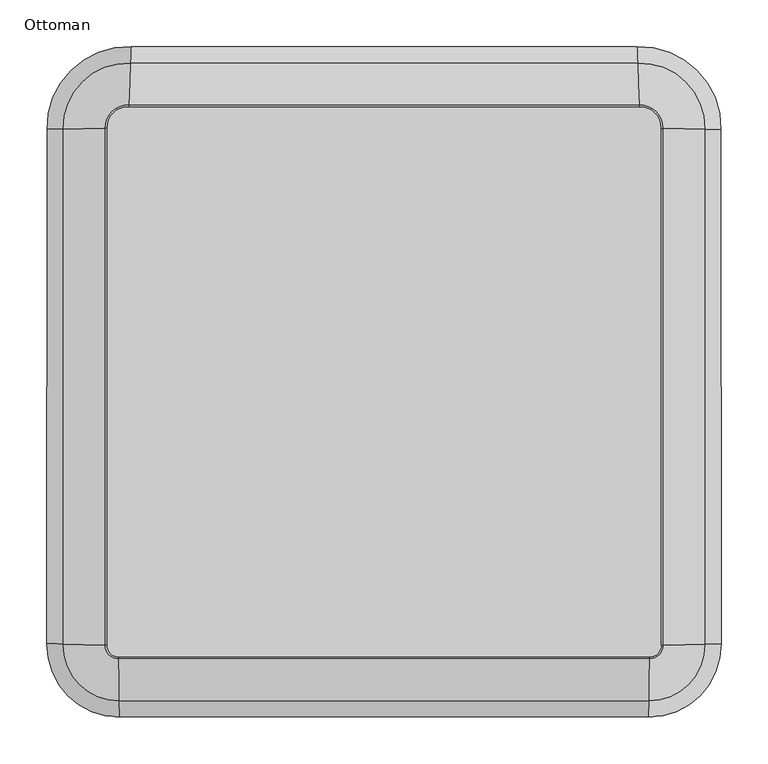
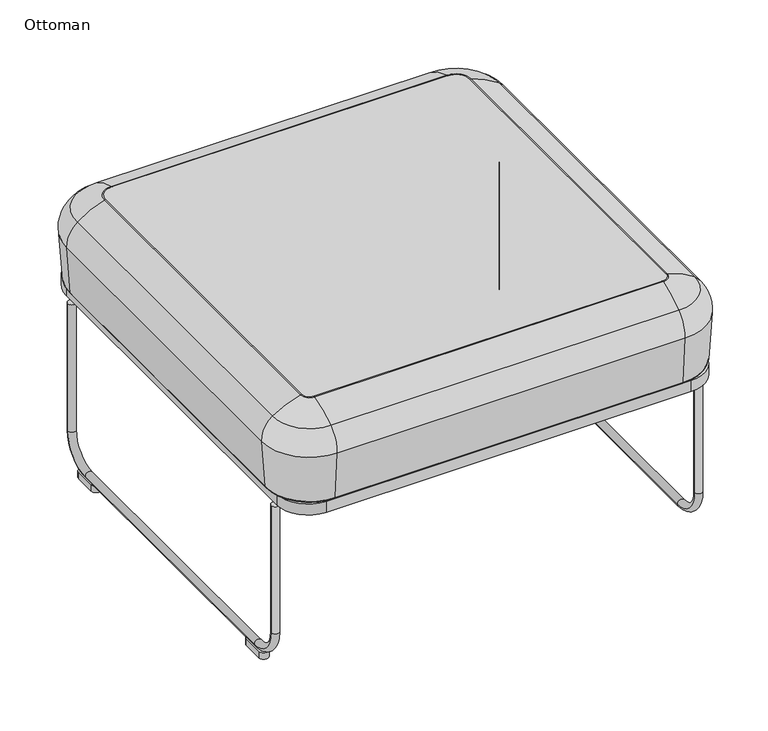
"""IFC4 building model written with IfcOpenShell, lengths in millimetres: furniture geometry, Ottoman."""

from ifc_helpers import new_model, si_unit, point, frame, frame_2d, origin, origin_with_axes, place, context, project, spatial, polyline, circle_curve, ellipse_curve, trimmed, segment, composite_curve, outline, extrude, source, transform, mapped, element, save
from ifc_brep_helpers import plane_surface, cylinder_surface, revolved_surface, advanced_brep


def ottoman_85fd28af(model_context):
    return source(origin(), model_context, "Body", "SolidModel", [
        advanced_brep(
        [(-167.4543852, -161.7092284, 425.107536), (396.0543852, -161.7092284, 425.107536), (396.8206981, -117.1105594, 446.6889113), (-168.2206981, -117.1105594, 446.6889113), (-167.1565501, -179.0429391, 387.7913652), (395.7565501, -179.0429391, 387.7913652), (-167.252074, -173.4835407, 308.2765291), (395.852074, -173.4835407, 308.2765291), (-167.3064873, -170.3167423, 305.3230059), (395.9064873, -170.3167423, 305.3230059), (396.8498064, -115.4164843, 446.9191268), (-168.2498064, -115.4164843, 446.9191268), (-180.9132091, -102.6612873, 446.9191268), (-182.6070297, -102.6199443, 446.6889113), (-227.1990008, -101.5315367, 425.107536), (-244.5301083, -101.1085164, 387.7913652), (-238.9715448, -101.2441906, 308.2765291), (-235.805222, -101.3214747, 305.3230059), (-180.8078426, 447.8185464, 446.9191268), (-182.5016789, 447.7778518, 446.6889113), (-227.0940634, 446.7065149, 425.107536), (-244.4253315, 446.2901293, 387.7913652), (-238.8667165, 446.4236756, 308.2765291), (-235.7003644, 446.4997476, 305.3230059), (-157.6631829, 470.5656909, 446.9191268), (-157.5931525, 472.2585681, 446.6889113), (-155.7495149, 516.8257031, 425.107536), (-155.0329671, 534.1471577, 387.7913652), (-155.2627837, 528.5916902, 308.2765291), (-155.3936941, 525.4271309, 305.3230059), (386.2631829, 470.5656909, 446.9191268), (386.1931525, 472.2585681, 446.6889113), (384.3495149, 516.8257031, 425.107536), (383.6329671, 534.1471577, 387.7913652), (383.8627837, 528.5916902, 308.2765291), (383.9936941, 525.4271309, 305.3230059), (409.4078426, 447.8185464, 446.9191268), (411.1016789, 447.7778518, 446.6889113), (455.6940634, 446.7065149, 425.107536), (473.0253315, 446.2901293, 387.7913652), (467.4667165, 446.4236756, 308.2765291), (464.3003644, 446.4997476, 305.3230059), (409.5132091, -102.6612873, 446.9191268), (411.2070297, -102.6199443, 446.6889113), (455.7990008, -101.5315367, 425.107536), (473.1301083, -101.1085164, 387.7913652), (467.5715448, -101.2441906, 308.2765291), (464.405222, -101.3214747, 305.3230059)],
        [
            (0, 1, circle_curve(frame((114.3, -16559.5410967, 425.107536), z_axis=(0.0, 0.0, -1.0), x_axis=(0.017179881139762494, 0.9998524149513385, 0.0)), 16400.2523003)),
            (1, 2, circle_curve(frame((397.4532216, -80.2983084, 313.7059939), z_axis=(-0.9998524149513385, 0.017179881139762567, 0.0), x_axis=(-0.017179881139762567, -0.9998524149513385, 0.0)), 137.9855)),
            (2, 3, circle_curve(frame((114.3, -16559.5410967, 446.6889113), z_axis=(0.0, 0.0, 1.0), x_axis=(0.017179881139762494, 0.9998524149513385, 0.0)), 16444.8575524)),
            (3, 0, circle_curve(frame((-168.8532216, -80.2983084, 313.7059939), z_axis=(0.9998524149513385, 0.017179881139762623, 0.0), x_axis=(0.017179881139762623, -0.9998524149513385, 0.0)), 137.9855)),
            (0, 4, circle_curve(frame((-167.8856877, -136.6078403, 390.7591544), z_axis=(0.9998524149513385, 0.01717988113976263, 0.0), x_axis=(0.01717988113976263, -0.9998524149513385, 0.0)), 42.545)),
            (4, 5, circle_curve(frame((114.3, -16559.5410967, 387.7913652), z_axis=(0.0, 0.0, -1.0), x_axis=(0.017179881139762494, 0.9998524149513385, 0.0)), 16382.9160311)),
            (5, 1, circle_curve(frame((396.4856877, -136.6078403, 390.7591544), z_axis=(-0.9998524149513385, 0.017179881139762567, 0.0), x_axis=(-0.017179881139762567, -0.9998524149513385, 0.0)), 42.545)),
            (4, 6),
            (6, 7, circle_curve(frame((114.3, -16559.5410967, 308.2765291), z_axis=(0.0, 0.0, -1.0), x_axis=(0.017179881139762494, 0.9998524149513385, 0.0)), 16388.4762501)),
            (7, 5),
            (6, 8, circle_curve(frame((-167.3064873, -170.3167423, 308.4980059), z_axis=(0.9998524149513385, 0.017179881139762623, 0.0), x_axis=(0.017179881139762623, -0.9998524149513385, 0.0)), 3.175)),
            (8, 9, circle_curve(frame((114.3, -16559.5410967, 305.3230059), z_axis=(0.0, 0.0, -1.0), x_axis=(0.017179881139762494, 0.9998524149513385, 0.0)), 16391.6435159)),
            (9, 7, circle_curve(frame((395.9064873, -170.3167423, 308.4980059), z_axis=(-0.9998524149513385, 0.017179881139762567, 0.0), x_axis=(-0.017179881139762567, -0.9998524149513385, 0.0)), 3.175)),
            (2, 10, circle_curve(frame((396.8498064, -115.4164843, 440.5691268), z_axis=(-0.9998524149513385, 0.017179881139762567, 0.0), x_axis=(-0.017179881139762567, -0.9998524149513385, 0.0)), 6.35)),
            (10, 11, circle_curve(frame((114.3, -16559.5410967, 446.9191268), z_axis=(0.0, 0.0, 1.0), x_axis=(0.017179881139762494, 0.9998524149513385, 0.0)), 16446.5518775)),
            (11, 3, circle_curve(frame((-168.2498064, -115.4164843, 440.5691268), z_axis=(0.9998524149513385, 0.01717988113976263, 0.0), x_axis=(0.01717988113976263, -0.9998524149513385, 0.0)), 6.35)),
            (11, 12, circle_curve(frame((-168.4637503, -102.9651556, 446.9191268), z_axis=(0.0, 0.0, -1.0), x_axis=(0.017179881139762807, -0.9998524149513385, 0.0)), 12.4531666)),
            (12, 13, circle_curve(frame((-180.9132091, -102.6612873, 440.5691268), z_axis=(-0.02440088431373543, -0.9997022540960422, 0.0), x_axis=(-0.9997022540960422, 0.02440088431373543, 0.0)), 6.35)),
            (13, 3, circle_curve(frame((-168.4637503, -102.9651556, 446.6889113), z_axis=(0.0, 0.0, 1.0), x_axis=(0.017179881139762807, -0.9998524149513385, 0.0)), 14.1474918)),
            (13, 14, circle_curve(frame((-145.8003073, -103.5183283, 313.7059939), z_axis=(-0.024400884314411137, -0.9997022540960256, 0.0), x_axis=(-0.9997022540960256, 0.024400884314411137, 0.0)), 137.9855)),
            (14, 0, circle_curve(frame((-168.4637503, -102.9651556, 425.107536), z_axis=(0.0, 0.0, 1.0), x_axis=(0.017179881139762807, -0.9998524149513385, 0.0)), 58.7527439)),
            (14, 15, circle_curve(frame((-202.1013825, -102.1441232, 390.7591544), z_axis=(-0.02440088431818522, -0.9997022540959335, 0.0), x_axis=(-0.9997022540959335, 0.02440088431818522, 0.0)), 42.545)),
            (15, 4, circle_curve(frame((-168.4637503, -102.9651556, 387.7913652), z_axis=(0.0, 0.0, 1.0), x_axis=(0.017179881139762807, -0.9998524149513385, 0.0)), 76.0890131)),
            (15, 16),
            (16, 6, circle_curve(frame((-168.4637503, -102.9651556, 308.2765291), z_axis=(0.0, 0.0, 1.0), x_axis=(0.017179881139762807, -0.9998524149513385, 0.0)), 70.5287941)),
            (16, 17, circle_curve(frame((-235.805222, -101.3214747, 308.4980059), z_axis=(-0.024400884318385444, -0.9997022540959286, 0.0), x_axis=(-0.9997022540959286, 0.024400884318385444, 0.0)), 3.175)),
            (17, 8, circle_curve(frame((-168.4637503, -102.9651556, 305.3230059), z_axis=(0.0, 0.0, 1.0), x_axis=(0.017179881139762807, -0.9998524149513385, 0.0)), 67.3615283)),
            (12, 18, circle_curve(frame((-11546.6003282, 174.7541286, 446.9191268), z_axis=(0.0, 0.0, 1.0), x_axis=(0.9997022540959043, -0.024400884319382744, 0.0)), 11369.0722138)),
            (18, 19, circle_curve(frame((-180.8078426, 447.8185464, 440.5691268), z_axis=(0.02401817955838124, -0.999711521915548, 0.0), x_axis=(-0.999711521915548, -0.02401817955838124, 0.0)), 6.35)),
            (19, 13, circle_curve(frame((-11546.6003282, 174.7541286, 446.6889113), z_axis=(0.0, 0.0, -1.0), x_axis=(0.9997022540959043, -0.024400884319382744, 0.0)), 11367.3778887)),
            (19, 20, circle_curve(frame((-145.6946153, 448.6621456, 313.7059939), z_axis=(0.02401817955838124, -0.999711521915548, 0.0), x_axis=(-0.999711521915548, -0.02401817955838124, 0.0)), 137.9855)),
            (20, 14, circle_curve(frame((-11546.6003282, 174.7541286, 425.107536), z_axis=(0.0, 0.0, -1.0), x_axis=(0.9997022540959043, -0.024400884319382744, 0.0)), 11322.7726366)),
            (20, 21, circle_curve(frame((-201.9962124, 447.3094935, 390.7591544), z_axis=(0.02401817955838124, -0.999711521915548, 0.0), x_axis=(-0.999711521915548, -0.02401817955838124, 0.0)), 42.545)),
            (21, 15, circle_curve(frame((-11546.6003282, 174.7541286, 387.7913652), z_axis=(0.0, 0.0, -1.0), x_axis=(0.9997022540959043, -0.024400884319382744, 0.0)), 11305.4363673)),
            (21, 22),
            (22, 16, circle_curve(frame((-11546.6003282, 174.7541286, 308.2765291), z_axis=(0.0, 0.0, -1.0), x_axis=(0.9997022540959043, -0.024400884319382744, 0.0)), 11310.9965863)),
            (22, 23, circle_curve(frame((-235.7003644, 446.4997476, 308.4980059), z_axis=(0.02401817955838124, -0.999711521915548, 0.0), x_axis=(-0.999711521915548, -0.02401817955838124, 0.0)), 3.175)),
            (23, 17, circle_curve(frame((-11546.6003282, 174.7541286, 305.3230059), z_axis=(0.0, 0.0, -1.0), x_axis=(0.9997022540959043, -0.024400884319382744, 0.0)), 11314.1638522)),
            (18, 24, circle_curve(frame((-158.5820894, 448.3525226, 446.9191268), z_axis=(0.0, 0.0, -1.0), x_axis=(-0.999711521915548, -0.024018179558381914, 0.0)), 22.2321666)),
            (24, 25, circle_curve(frame((-157.6631829, 470.5656909, 440.5691268), z_axis=(-0.9991454554224839, 0.04133229861255114, 0.0), x_axis=(0.04133229861255114, 0.9991454554224839, 0.0)), 6.35)),
            (25, 19, circle_curve(frame((-158.5820894, 448.3525226, 446.6889113), z_axis=(0.0, 0.0, 1.0), x_axis=(-0.999711521915548, -0.024018179558381914, 0.0)), 23.9264918)),
            (25, 26, circle_curve(frame((-159.1149121, 435.4723458, 313.7059939), z_axis=(-0.9991454554224782, 0.041332298612688015, 0.0), x_axis=(0.041332298612688015, 0.9991454554224782, 0.0)), 137.9855)),
            (26, 20, circle_curve(frame((-158.5820894, 448.3525226, 425.107536), z_axis=(0.0, 0.0, 1.0), x_axis=(-0.999711521915548, -0.024018179558381914, 0.0)), 68.5317439)),
            (26, 27, circle_curve(frame((-156.7871661, 491.7420632, 390.7591544), z_axis=(-0.9991454554224295, 0.04133229861386386, 0.0), x_axis=(0.04133229861386386, 0.9991454554224295, 0.0)), 42.545)),
            (27, 21, circle_curve(frame((-158.5820894, 448.3525226, 387.7913652), z_axis=(0.0, 0.0, 1.0), x_axis=(-0.999711521915548, -0.024018179558381914, 0.0)), 85.8680131)),
            (27, 28),
            (28, 22, circle_curve(frame((-158.5820894, 448.3525226, 308.2765291), z_axis=(0.0, 0.0, 1.0), x_axis=(-0.999711521915548, -0.024018179558381914, 0.0)), 80.3077941)),
            (28, 29, circle_curve(frame((-155.3936941, 525.4271309, 308.4980059), z_axis=(-0.9991454554224257, 0.0413322986139566, 0.0), x_axis=(0.0413322986139566, 0.9991454554224257, 0.0)), 3.175)),
            (29, 23, circle_curve(frame((-158.5820894, 448.3525226, 305.3230059), z_axis=(0.0, 0.0, 1.0), x_axis=(-0.999711521915548, -0.024018179558381914, 0.0)), 77.1405283)),
            (24, 30, circle_curve(frame((114.3, 7044.862, 446.9191268), z_axis=(0.0, 0.0, 1.0), x_axis=(-0.04133229861449432, -0.9991454554224036, 0.0)), 6579.9191433)),
            (30, 31, circle_curve(frame((386.2631829, 470.5656909, 440.5691268), z_axis=(-0.999145455422404, -0.041332298614487555, 0.0), x_axis=(-0.041332298614487555, 0.999145455422404, 0.0)), 6.35)),
            (31, 25, circle_curve(frame((114.3, 7044.862, 446.6889113), z_axis=(0.0, 0.0, -1.0), x_axis=(-0.04133229861449432, -0.9991454554224036, 0.0)), 6578.2248182)),
            (31, 32, circle_curve(frame((387.7149121, 435.4723458, 313.7059939), z_axis=(-0.999145455422404, -0.04133229861448754, 0.0), x_axis=(-0.04133229861448754, 0.999145455422404, 0.0)), 137.9855)),
            (32, 26, circle_curve(frame((114.3, 7044.862, 425.107536), z_axis=(0.0, 0.0, -1.0), x_axis=(-0.04133229861449432, -0.9991454554224036, 0.0)), 6533.6195661)),
            (32, 33, circle_curve(frame((385.3871661, 491.7420632, 390.7591544), z_axis=(-0.999145455422404, -0.04133229861448754, 0.0), x_axis=(-0.04133229861448754, 0.999145455422404, 0.0)), 42.545)),
            (33, 27, circle_curve(frame((114.3, 7044.862, 387.7913652), z_axis=(0.0, 0.0, -1.0), x_axis=(-0.04133229861449432, -0.9991454554224036, 0.0)), 6516.2832968)),
            (33, 34),
            (34, 28, circle_curve(frame((114.3, 7044.862, 308.2765291), z_axis=(0.0, 0.0, -1.0), x_axis=(-0.04133229861449432, -0.9991454554224036, 0.0)), 6521.8435158)),
            (34, 35, circle_curve(frame((383.9936941, 525.4271309, 308.4980059), z_axis=(-0.999145455422404, -0.04133229861448754, 0.0), x_axis=(-0.04133229861448754, 0.999145455422404, 0.0)), 3.175)),
            (35, 29, circle_curve(frame((114.3, 7044.862, 305.3230059), z_axis=(0.0, 0.0, -1.0), x_axis=(-0.04133229861449432, -0.9991454554224036, 0.0)), 6525.0107817)),
            (30, 36, circle_curve(frame((387.1820894, 448.3525226, 446.9191268), z_axis=(0.0, 0.0, -1.0), x_axis=(-0.04133229861448754, 0.9991454554224038, 0.0)), 22.2321666)),
            (36, 37, circle_curve(frame((409.4078426, 447.8185464, 440.5691268), z_axis=(0.024018179558418673, 0.9997115219155471, 0.0), x_axis=(0.9997115219155471, -0.024018179558418673, 0.0)), 6.35)),
            (37, 31, circle_curve(frame((387.1820894, 448.3525226, 446.6889113), z_axis=(0.0, 0.0, 1.0), x_axis=(-0.04133229861448754, 0.9991454554224038, 0.0)), 23.9264918)),
            (37, 38, circle_curve(frame((374.2946153, 448.6621456, 313.7059939), z_axis=(0.02401817955841845, 0.9997115219155471, 0.0), x_axis=(0.9997115219155471, -0.02401817955841845, 0.0)), 137.9855)),
            (38, 32, circle_curve(frame((387.1820894, 448.3525226, 425.107536), z_axis=(0.0, 0.0, 1.0), x_axis=(-0.04133229861448754, 0.9991454554224038, 0.0)), 68.5317439)),
            (38, 39, circle_curve(frame((430.5962124, 447.3094935, 390.7591544), z_axis=(0.024018179558392264, 0.9997115219155478, 0.0), x_axis=(0.9997115219155478, -0.024018179558392264, 0.0)), 42.545)),
            (39, 33, circle_curve(frame((387.1820894, 448.3525226, 387.7913652), z_axis=(0.0, 0.0, 1.0), x_axis=(-0.04133229861448754, 0.9991454554224038, 0.0)), 85.8680131)),
            (39, 40),
            (40, 34, circle_curve(frame((387.1820894, 448.3525226, 308.2765291), z_axis=(0.0, 0.0, 1.0), x_axis=(-0.04133229861448754, 0.9991454554224038, 0.0)), 80.3077941)),
            (40, 41, circle_curve(frame((464.3003644, 446.4997476, 308.4980059), z_axis=(0.02401817955839182, 0.9997115219155477, 0.0), x_axis=(0.9997115219155477, -0.02401817955839182, 0.0)), 3.175)),
            (41, 35, circle_curve(frame((387.1820894, 448.3525226, 305.3230059), z_axis=(0.0, 0.0, 1.0), x_axis=(-0.04133229861448754, 0.9991454554224038, 0.0)), 77.1405283)),
            (36, 42, circle_curve(frame((11775.2003282, 174.7541286, 446.9191268), z_axis=(0.0, 0.0, 1.0), x_axis=(-0.9997115219155481, 0.024018179558381127, 0.0)), 11369.0722138)),
            (42, 43, circle_curve(frame((409.5132091, -102.6612873, 440.5691268), z_axis=(-0.0244008843193764, 0.9997022540959045, 0.0), x_axis=(0.9997022540959045, 0.0244008843193764, 0.0)), 6.35)),
            (43, 37, circle_curve(frame((11775.2003282, 174.7541286, 446.6889113), z_axis=(0.0, 0.0, -1.0), x_axis=(-0.9997115219155481, 0.024018179558381127, 0.0)), 11367.3778887)),
            (43, 44, circle_curve(frame((374.4003073, -103.5183283, 313.7059939), z_axis=(-0.024400884319376395, 0.9997022540959045, 0.0), x_axis=(0.9997022540959045, 0.024400884319376395, 0.0)), 137.9855)),
            (44, 38, circle_curve(frame((11775.2003282, 174.7541286, 425.107536), z_axis=(0.0, 0.0, -1.0), x_axis=(-0.9997115219155481, 0.024018179558381127, 0.0)), 11322.7726366)),
            (44, 45, circle_curve(frame((430.7013825, -102.1441232, 390.7591544), z_axis=(-0.024400884319376353, 0.9997022540959045, 0.0), x_axis=(0.9997022540959045, 0.024400884319376353, 0.0)), 42.545)),
            (45, 39, circle_curve(frame((11775.2003282, 174.7541286, 387.7913652), z_axis=(0.0, 0.0, -1.0), x_axis=(-0.9997115219155481, 0.024018179558381127, 0.0)), 11305.4363673)),
            (45, 46),
            (46, 40, circle_curve(frame((11775.2003282, 174.7541286, 308.2765291), z_axis=(0.0, 0.0, -1.0), x_axis=(-0.9997115219155481, 0.024018179558381127, 0.0)), 11310.9965863)),
            (46, 47, circle_curve(frame((464.405222, -101.3214747, 308.4980059), z_axis=(-0.024400884319376346, 0.9997022540959045, 0.0), x_axis=(0.9997022540959045, 0.024400884319376346, 0.0)), 3.175)),
            (47, 41, circle_curve(frame((11775.2003282, 174.7541286, 305.3230059), z_axis=(0.0, 0.0, -1.0), x_axis=(-0.9997115219155481, 0.024018179558381127, 0.0)), 11314.1638522)),
            (10, 42, circle_curve(frame((397.0637503, -102.9651556, 446.9191268), z_axis=(0.0, 0.0, 1.0), x_axis=(0.9997022540959042, 0.0244008843193877, 0.0)), 12.4531666)),
            (2, 43, circle_curve(frame((397.0637503, -102.9651556, 446.6889113), z_axis=(0.0, 0.0, 1.0), x_axis=(0.9997022540959042, 0.0244008843193877, 0.0)), 14.1474918)),
            (1, 44, circle_curve(frame((397.0637503, -102.9651556, 425.107536), z_axis=(0.0, 0.0, 1.0), x_axis=(0.9997022540959042, 0.0244008843193877, 0.0)), 58.7527439)),
            (5, 45, circle_curve(frame((397.0637503, -102.9651556, 387.7913652), z_axis=(0.0, 0.0, 1.0), x_axis=(0.9997022540959042, 0.0244008843193877, 0.0)), 76.0890131)),
            (7, 46, circle_curve(frame((397.0637503, -102.9651556, 308.2765291), z_axis=(0.0, 0.0, 1.0), x_axis=(0.9997022540959042, 0.0244008843193877, 0.0)), 70.5287941)),
            (9, 47, circle_curve(frame((397.0637503, -102.9651556, 305.3230059), z_axis=(0.0, 0.0, 1.0), x_axis=(0.9997022540959042, 0.0244008843193877, 0.0)), 67.3615283)),
        ],
        [
            revolved_surface(trimmed(ellipse_curve(frame((397.4532216, -80.2983084, 313.7059939), z_axis=(0.9998524149513385, -0.017179881139762567, 0.0), x_axis=(-0.017179881139762567, -0.9998524149513385, 0.0)), 137.9855, 137.9855), [point((396.8206981, -117.1105594, 446.6889113))], [point((396.0543852, -161.7092284, 425.107536))], True, "CARTESIAN"), (114.3, -16559.5410967, 431.8), (0.0, 0.0, 1.0)),
            revolved_surface(trimmed(ellipse_curve(frame((396.4856877, -136.6078403, 390.7591544), z_axis=(0.9998524149513385, -0.017179881139762567, 0.0), x_axis=(-0.017179881139762567, -0.9998524149513385, 0.0)), 42.545, 42.545), [point((396.0543852, -161.7092284, 425.107536))], [point((395.7565501, -179.0429391, 387.7913652))], True, "CARTESIAN"), (114.3, -16559.5410967, 431.8), (0.0, 0.0, 1.0)),
            revolved_surface(polyline([(395.7565501, -179.0429391, 387.7913652), (395.852074, -173.4835407, 308.2765291)]), (114.3, -16559.5410967, 431.8), (0.0, 0.0, 1.0)),
            revolved_surface(trimmed(ellipse_curve(frame((395.9064873, -170.3167423, 308.4980059), z_axis=(0.9998524149513385, -0.017179881139762567, 0.0), x_axis=(-0.017179881139762567, -0.9998524149513385, 0.0)), 3.175, 3.175), [point((395.852074, -173.4835407, 308.2765291))], [point((395.9064873, -170.3167423, 305.3230059))], True, "CARTESIAN"), (114.3, -16559.5410967, 431.8), (0.0, 0.0, 1.0)),
            revolved_surface(trimmed(ellipse_curve(frame((396.8498064, -115.4164843, 440.5691268), z_axis=(0.9998524149513385, -0.017179881139762567, 0.0), x_axis=(-0.017179881139762567, -0.9998524149513385, 0.0)), 6.35, 6.35), [point((396.8498064, -115.4164843, 446.9191268))], [point((396.8206981, -117.1105594, 446.6889113))], True, "CARTESIAN"), (114.3, -16559.5410967, 431.8), (0.0, 0.0, 1.0)),
            revolved_surface(trimmed(ellipse_curve(frame((-168.2498064, -115.4164843, 440.5691268), z_axis=(0.9998524149513385, 0.017179881139762845, 0.0), x_axis=(0.017179881139762845, -0.9998524149513385, 0.0)), 6.35, 6.35), [point((-168.2498064, -115.4164843, 446.9191268))], [point((-168.2206981, -117.1105594, 446.6889113))], True, "CARTESIAN"), (-168.4637503, -102.9651556, 431.8), (0.0, 0.0, -1.0)),
            revolved_surface(trimmed(ellipse_curve(frame((-168.8532216, -80.2983084, 313.7059939), z_axis=(0.9998524149513385, 0.017179881139762845, 0.0), x_axis=(0.017179881139762845, -0.9998524149513385, 0.0)), 137.9855, 137.9855), [point((-168.2206981, -117.1105594, 446.6889113))], [point((-167.4543852, -161.7092284, 425.107536))], True, "CARTESIAN"), (-168.4637503, -102.9651556, 431.8), (0.0, 0.0, -1.0)),
            revolved_surface(trimmed(ellipse_curve(frame((-167.8856877, -136.6078403, 390.7591544), z_axis=(0.9998524149513385, 0.017179881139762845, 0.0), x_axis=(0.017179881139762845, -0.9998524149513385, 0.0)), 42.545, 42.545), [point((-167.4543852, -161.7092284, 425.107536))], [point((-167.1565501, -179.0429391, 387.7913652))], True, "CARTESIAN"), (-168.4637503, -102.9651556, 431.8), (0.0, 0.0, -1.0)),
            revolved_surface(polyline([(-167.1565501, -179.0429391, 387.7913652), (-167.252074, -173.4835407, 308.2765291)]), (-168.4637503, -102.9651556, 431.8), (0.0, 0.0, -1.0)),
            revolved_surface(trimmed(ellipse_curve(frame((-167.3064873, -170.3167423, 308.4980059), z_axis=(0.9998524149513385, 0.017179881139762845, 0.0), x_axis=(0.017179881139762845, -0.9998524149513385, 0.0)), 3.175, 3.175), [point((-167.252074, -173.4835407, 308.2765291))], [point((-167.3064873, -170.3167423, 305.3230059))], True, "CARTESIAN"), (-168.4637503, -102.9651556, 431.8), (0.0, 0.0, -1.0)),
            revolved_surface(trimmed(ellipse_curve(frame((-180.9132091, -102.6612873, 440.5691268), z_axis=(-0.024400884319382848, -0.9997022540959043, 0.0), x_axis=(-0.9997022540959043, 0.024400884319382848, 0.0)), 6.35, 6.35), [point((-180.9132091, -102.6612873, 446.9191268))], [point((-182.6070297, -102.6199443, 446.6889113))], True, "CARTESIAN"), (-11546.6003282, 174.7541286, 431.8), (0.0, 0.0, 1.0)),
            revolved_surface(trimmed(ellipse_curve(frame((-145.8003073, -103.5183283, 313.7059939), z_axis=(-0.024400884319382848, -0.9997022540959043, 0.0), x_axis=(-0.9997022540959043, 0.024400884319382848, 0.0)), 137.9855, 137.9855), [point((-182.6070297, -102.6199443, 446.6889113))], [point((-227.1990008, -101.5315367, 425.107536))], True, "CARTESIAN"), (-11546.6003282, 174.7541286, 431.8), (0.0, 0.0, 1.0)),
            revolved_surface(trimmed(ellipse_curve(frame((-202.1013825, -102.1441232, 390.7591544), z_axis=(-0.024400884319382848, -0.9997022540959043, 0.0), x_axis=(-0.9997022540959043, 0.024400884319382848, 0.0)), 42.545, 42.545), [point((-227.1990008, -101.5315367, 425.107536))], [point((-244.5301083, -101.1085164, 387.7913652))], True, "CARTESIAN"), (-11546.6003282, 174.7541286, 431.8), (0.0, 0.0, 1.0)),
            revolved_surface(polyline([(-244.5301083, -101.1085164, 387.7913652), (-238.9715448, -101.2441906, 308.2765291)]), (-11546.6003282, 174.7541286, 431.8), (0.0, 0.0, 1.0)),
            revolved_surface(trimmed(ellipse_curve(frame((-235.805222, -101.3214747, 308.4980059), z_axis=(-0.024400884319382848, -0.9997022540959043, 0.0), x_axis=(-0.9997022540959043, 0.024400884319382848, 0.0)), 3.175, 3.175), [point((-238.9715448, -101.2441906, 308.2765291))], [point((-235.805222, -101.3214747, 305.3230059))], True, "CARTESIAN"), (-11546.6003282, 174.7541286, 431.8), (0.0, 0.0, 1.0)),
            revolved_surface(trimmed(ellipse_curve(frame((-180.8078426, 447.8185464, 440.5691268), z_axis=(0.024018179558381945, -0.999711521915548, 0.0), x_axis=(-0.999711521915548, -0.024018179558381945, 0.0)), 6.35, 6.35), [point((-180.8078426, 447.8185464, 446.9191268))], [point((-182.5016789, 447.7778518, 446.6889113))], True, "CARTESIAN"), (-158.5820894, 448.3525226, 431.8), (0.0, 0.0, -1.0)),
            revolved_surface(trimmed(ellipse_curve(frame((-145.6946153, 448.6621456, 313.7059939), z_axis=(0.024018179558381945, -0.999711521915548, 0.0), x_axis=(-0.999711521915548, -0.024018179558381945, 0.0)), 137.9855, 137.9855), [point((-182.5016789, 447.7778518, 446.6889113))], [point((-227.0940634, 446.7065149, 425.107536))], True, "CARTESIAN"), (-158.5820894, 448.3525226, 431.8), (0.0, 0.0, -1.0)),
            revolved_surface(trimmed(ellipse_curve(frame((-201.9962124, 447.3094935, 390.7591544), z_axis=(0.024018179558381945, -0.999711521915548, 0.0), x_axis=(-0.999711521915548, -0.024018179558381945, 0.0)), 42.545, 42.545), [point((-227.0940634, 446.7065149, 425.107536))], [point((-244.4253315, 446.2901293, 387.7913652))], True, "CARTESIAN"), (-158.5820894, 448.3525226, 431.8), (0.0, 0.0, -1.0)),
            revolved_surface(polyline([(-244.4253315, 446.2901293, 387.7913652), (-238.8667165, 446.4236756, 308.2765291)]), (-158.5820894, 448.3525226, 431.8), (0.0, 0.0, -1.0)),
            revolved_surface(trimmed(ellipse_curve(frame((-235.7003644, 446.4997476, 308.4980059), z_axis=(0.024018179558381945, -0.999711521915548, 0.0), x_axis=(-0.999711521915548, -0.024018179558381945, 0.0)), 3.175, 3.175), [point((-238.8667165, 446.4236756, 308.2765291))], [point((-235.7003644, 446.4997476, 305.3230059))], True, "CARTESIAN"), (-158.5820894, 448.3525226, 431.8), (0.0, 0.0, -1.0)),
            revolved_surface(trimmed(ellipse_curve(frame((-157.6631829, 470.5656909, 440.5691268), z_axis=(-0.9991454554224036, 0.041332298614494264, 0.0), x_axis=(0.041332298614494264, 0.9991454554224036, 0.0)), 6.35, 6.35), [point((-157.6631829, 470.5656909, 446.9191268))], [point((-157.5931525, 472.2585681, 446.6889113))], True, "CARTESIAN"), (114.3, 7044.862, 431.8), (0.0, 0.0, 1.0)),
            revolved_surface(trimmed(ellipse_curve(frame((-159.1149121, 435.4723458, 313.7059939), z_axis=(-0.9991454554224036, 0.041332298614494264, 0.0), x_axis=(0.041332298614494264, 0.9991454554224036, 0.0)), 137.9855, 137.9855), [point((-157.5931525, 472.2585681, 446.6889113))], [point((-155.7495149, 516.8257031, 425.107536))], True, "CARTESIAN"), (114.3, 7044.862, 431.8), (0.0, 0.0, 1.0)),
            revolved_surface(trimmed(ellipse_curve(frame((-156.7871661, 491.7420632, 390.7591544), z_axis=(-0.9991454554224036, 0.041332298614494264, 0.0), x_axis=(0.041332298614494264, 0.9991454554224036, 0.0)), 42.545, 42.545), [point((-155.7495149, 516.8257031, 425.107536))], [point((-155.0329671, 534.1471577, 387.7913652))], True, "CARTESIAN"), (114.3, 7044.862, 431.8), (0.0, 0.0, 1.0)),
            revolved_surface(polyline([(-155.0329671, 534.1471577, 387.7913652), (-155.2627837, 528.5916902, 308.2765291)]), (114.3, 7044.862, 431.8), (0.0, 0.0, 1.0)),
            revolved_surface(trimmed(ellipse_curve(frame((-155.3936941, 525.4271309, 308.4980059), z_axis=(-0.9991454554224036, 0.041332298614494264, 0.0), x_axis=(0.041332298614494264, 0.9991454554224036, 0.0)), 3.175, 3.175), [point((-155.2627837, 528.5916902, 308.2765291))], [point((-155.3936941, 525.4271309, 305.3230059))], True, "CARTESIAN"), (114.3, 7044.862, 431.8), (0.0, 0.0, 1.0)),
            revolved_surface(trimmed(ellipse_curve(frame((386.2631829, 470.5656909, 440.5691268), z_axis=(-0.9991454554224038, -0.0413322986144876, 0.0), x_axis=(-0.0413322986144876, 0.9991454554224038, 0.0)), 6.35, 6.35), [point((386.2631829, 470.5656909, 446.9191268))], [point((386.1931525, 472.2585681, 446.6889113))], True, "CARTESIAN"), (387.1820894, 448.3525226, 431.8), (0.0, 0.0, -1.0)),
            revolved_surface(trimmed(ellipse_curve(frame((387.7149121, 435.4723458, 313.7059939), z_axis=(-0.9991454554224038, -0.0413322986144876, 0.0), x_axis=(-0.0413322986144876, 0.9991454554224038, 0.0)), 137.9855, 137.9855), [point((386.1931525, 472.2585681, 446.6889113))], [point((384.3495149, 516.8257031, 425.107536))], True, "CARTESIAN"), (387.1820894, 448.3525226, 431.8), (0.0, 0.0, -1.0)),
            revolved_surface(trimmed(ellipse_curve(frame((385.3871661, 491.7420632, 390.7591544), z_axis=(-0.9991454554224038, -0.0413322986144876, 0.0), x_axis=(-0.0413322986144876, 0.9991454554224038, 0.0)), 42.545, 42.545), [point((384.3495149, 516.8257031, 425.107536))], [point((383.6329671, 534.1471577, 387.7913652))], True, "CARTESIAN"), (387.1820894, 448.3525226, 431.8), (0.0, 0.0, -1.0)),
            revolved_surface(polyline([(383.6329671, 534.1471577, 387.7913652), (383.8627837, 528.5916902, 308.2765291)]), (387.1820894, 448.3525226, 431.8), (0.0, 0.0, -1.0)),
            revolved_surface(trimmed(ellipse_curve(frame((383.9936941, 525.4271309, 308.4980059), z_axis=(-0.9991454554224038, -0.0413322986144876, 0.0), x_axis=(-0.0413322986144876, 0.9991454554224038, 0.0)), 3.175, 3.175), [point((383.8627837, 528.5916902, 308.2765291))], [point((383.9936941, 525.4271309, 305.3230059))], True, "CARTESIAN"), (387.1820894, 448.3525226, 431.8), (0.0, 0.0, -1.0)),
            revolved_surface(trimmed(ellipse_curve(frame((409.4078426, 447.8185464, 440.5691268), z_axis=(0.024018179558381064, 0.9997115219155481, 0.0), x_axis=(0.9997115219155481, -0.024018179558381064, 0.0)), 6.35, 6.35), [point((409.4078426, 447.8185464, 446.9191268))], [point((411.1016789, 447.7778518, 446.6889113))], True, "CARTESIAN"), (11775.2003282, 174.7541286, 431.8), (0.0, 0.0, 1.0)),
            revolved_surface(trimmed(ellipse_curve(frame((374.2946153, 448.6621456, 313.7059939), z_axis=(0.024018179558381064, 0.9997115219155481, 0.0), x_axis=(0.9997115219155481, -0.024018179558381064, 0.0)), 137.9855, 137.9855), [point((411.1016789, 447.7778518, 446.6889113))], [point((455.6940634, 446.7065149, 425.107536))], True, "CARTESIAN"), (11775.2003282, 174.7541286, 431.8), (0.0, 0.0, 1.0)),
            revolved_surface(trimmed(ellipse_curve(frame((430.5962124, 447.3094935, 390.7591544), z_axis=(0.024018179558381064, 0.9997115219155481, 0.0), x_axis=(0.9997115219155481, -0.024018179558381064, 0.0)), 42.545, 42.545), [point((455.6940634, 446.7065149, 425.107536))], [point((473.0253315, 446.2901293, 387.7913652))], True, "CARTESIAN"), (11775.2003282, 174.7541286, 431.8), (0.0, 0.0, 1.0)),
            revolved_surface(polyline([(473.0253315, 446.2901293, 387.7913652), (467.4667165, 446.4236756, 308.2765291)]), (11775.2003282, 174.7541286, 431.8), (0.0, 0.0, 1.0)),
            revolved_surface(trimmed(ellipse_curve(frame((464.3003644, 446.4997476, 308.4980059), z_axis=(0.024018179558381064, 0.9997115219155481, 0.0), x_axis=(0.9997115219155481, -0.024018179558381064, 0.0)), 3.175, 3.175), [point((467.4667165, 446.4236756, 308.2765291))], [point((464.3003644, 446.4997476, 305.3230059))], True, "CARTESIAN"), (11775.2003282, 174.7541286, 431.8), (0.0, 0.0, 1.0)),
            plane_surface(frame((397.0637503, -102.9651556, 446.9191268), z_axis=(0.0, 0.0, 1.0), x_axis=(0.9997022540959043, 0.024400884319387705, 0.0))),
            revolved_surface(trimmed(ellipse_curve(frame((409.5132091, -102.6612873, 440.5691268), z_axis=(-0.02440088431938776, 0.9997022540959042, 0.0), x_axis=(0.9997022540959042, 0.02440088431938776, 0.0)), 6.35, 6.35), [point((409.5132091, -102.6612873, 446.9191268))], [point((411.2070297, -102.6199443, 446.6889113))], True, "CARTESIAN"), (397.0637503, -102.9651556, 431.8), (0.0, 0.0, -1.0)),
            revolved_surface(trimmed(ellipse_curve(frame((374.4003073, -103.5183283, 313.7059939), z_axis=(-0.02440088431938776, 0.9997022540959042, 0.0), x_axis=(0.9997022540959042, 0.02440088431938776, 0.0)), 137.9855, 137.9855), [point((411.2070297, -102.6199443, 446.6889113))], [point((455.7990008, -101.5315367, 425.107536))], True, "CARTESIAN"), (397.0637503, -102.9651556, 431.8), (0.0, 0.0, -1.0)),
            revolved_surface(trimmed(ellipse_curve(frame((430.7013825, -102.1441232, 390.7591544), z_axis=(-0.02440088431938776, 0.9997022540959042, 0.0), x_axis=(0.9997022540959042, 0.02440088431938776, 0.0)), 42.545, 42.545), [point((455.7990008, -101.5315367, 425.107536))], [point((473.1301083, -101.1085164, 387.7913652))], True, "CARTESIAN"), (397.0637503, -102.9651556, 431.8), (0.0, 0.0, -1.0)),
            revolved_surface(polyline([(473.1301083, -101.1085164, 387.7913652), (467.5715448, -101.2441906, 308.2765291)]), (397.0637503, -102.9651556, 431.8), (0.0, 0.0, -1.0)),
            revolved_surface(trimmed(ellipse_curve(frame((464.405222, -101.3214747, 308.4980059), z_axis=(-0.02440088431938776, 0.9997022540959042, 0.0), x_axis=(0.9997022540959042, 0.02440088431938776, 0.0)), 3.175, 3.175), [point((467.5715448, -101.2441906, 308.2765291))], [point((464.405222, -101.3214747, 305.3230059))], True, "CARTESIAN"), (397.0637503, -102.9651556, 431.8), (0.0, 0.0, -1.0)),
            plane_surface(frame((397.0637503, -102.9651556, 305.3230059), z_axis=(0.0, 0.0, -1.0), x_axis=(0.9997022540959043, 0.024400884319387705, 0.0))),
        ],
        [
            (0, [[1, 2, 3, 4]]),
            (1, [[-1, 5, 6, 7]]),
            (2, [[-6, 8, 9, 10]]),
            (3, [[-9, 11, 12, 13]]),
            (4, [[-3, 14, 15, 16]]),
            (5, [[-16, 17, 18, 19]]),
            (6, [[-4, -19, 20, 21]]),
            (7, [[-5, -21, 22, 23]]),
            (8, [[-8, -23, 24, 25]]),
            (9, [[-11, -25, 26, 27]]),
            (10, [[-18, 28, 29, 30]]),
            (11, [[-20, -30, 31, 32]]),
            (12, [[-22, -32, 33, 34]]),
            (13, [[-24, -34, 35, 36]]),
            (14, [[-26, -36, 37, 38]]),
            (15, [[-29, 39, 40, 41]]),
            (16, [[-31, -41, 42, 43]]),
            (17, [[-33, -43, 44, 45]]),
            (18, [[-35, -45, 46, 47]]),
            (19, [[-37, -47, 48, 49]]),
            (20, [[-40, 50, 51, 52]]),
            (21, [[-42, -52, 53, 54]]),
            (22, [[-44, -54, 55, 56]]),
            (23, [[-46, -56, 57, 58]]),
            (24, [[-48, -58, 59, 60]]),
            (25, [[-51, 61, 62, 63]]),
            (26, [[-53, -63, 64, 65]]),
            (27, [[-55, -65, 66, 67]]),
            (28, [[-57, -67, 68, 69]]),
            (29, [[-59, -69, 70, 71]]),
            (30, [[-62, 72, 73, 74]]),
            (31, [[-64, -74, 75, 76]]),
            (32, [[-66, -76, 77, 78]]),
            (33, [[-68, -78, 79, 80]]),
            (34, [[-70, -80, 81, 82]]),
            (35, [[-15, 83, -72, -61, -50, -39, -28, -17]]),
            (36, [[-14, 84, -73, -83]]),
            (37, [[-2, 85, -75, -84]]),
            (38, [[-7, 86, -77, -85]]),
            (39, [[-10, 87, -79, -86]]),
            (40, [[-13, 88, -81, -87]]),
            (41, [[-12, -27, -38, -49, -60, -71, -82, -88]]),
        ],
    ),
        extrude(outline(polyline([(-227.6825349, -104.6783184), (-227.6825349, -66.5997924), (456.2825349, -66.5997924), (456.2825349, -104.6783184), (-227.6825349, -104.6783184)])), frame((0.0, 0.0, 283.1300109), z_axis=(0.0, 0.0, 1.0), x_axis=(1.0, 0.0, 0.0)), (0.0, 0.0, 1.0), 3.3459985),
        extrude(outline(polyline([(-227.6825349, 415.8008769), (-227.6825349, 453.8794029), (456.2825349, 453.8794029), (456.2825349, 415.8008769), (-227.6825349, 415.8008769)])), frame((0.0, 0.0, 283.1300109), z_axis=(0.0, 0.0, 1.0), x_axis=(1.0, 0.0, 0.0)), (0.0, 0.0, 1.0), 3.3459985),
        extrude(outline(composite_curve([segment(trimmed(circle_curve(frame_2d((-228.6590435, 427.5637247)), 7.8798642), [point((-236.5389076, 427.5654728))], [point((-220.7791795, 427.5654522))], False, "CARTESIAN"), True, "CONTINUOUS"), segment(polyline([(-220.7791795, 427.5654522), (-220.7715736, 392.8721387)]), True, "CONTINUOUS"), segment(trimmed(circle_curve(frame_2d((-228.6590888, 392.8704094)), 7.8875154), [point((-220.7715736, 392.8721387))], [point((-236.5466041, 392.8721592))], False, "CARTESIAN"), True, "CONTINUOUS"), segment(polyline([(-236.5466041, 392.8721592), (-236.5389076, 427.5654728)]), True, "CONTINUOUS")], self_intersect=False)), origin_with_axes(), (0.0, 0.0, 1.0), 11.1144914),
        extrude(outline(composite_curve([segment(trimmed(circle_curve(frame_2d((-228.6593802, -43.605474)), 7.8875176), [point((-236.5468976, -43.6072238))], [point((-220.7718628, -43.6072238))], False, "CARTESIAN"), True, "CONTINUOUS"), segment(polyline([(-220.7718628, -43.6072238), (-220.7795748, -78.3703547)]), True, "CONTINUOUS"), segment(trimmed(circle_curve(frame_2d((-228.6593802, -78.3686066)), 7.8798056), [point((-220.7795748, -78.3703547))], [point((-236.5391857, -78.3703547))], False, "CARTESIAN"), True, "CONTINUOUS"), segment(polyline([(-236.5391857, -78.3703547), (-236.5468976, -43.6072238)]), True, "CONTINUOUS")], self_intersect=False)), origin_with_axes(), (0.0, 0.0, 1.0), 11.1144914),
        extrude(outline(composite_curve([segment(polyline([(460.5725137, 470.061898), (460.5725137, -120.8400015)]), True, "CONTINUOUS"), segment(trimmed(circle_curve(frame_2d((409.7725137, -120.8400015)), 50.8), [point((460.5725137, -120.8400015))], [point((409.7725137, -171.6400015))], False, "CARTESIAN"), True, "CONTINUOUS"), segment(polyline([(409.7725137, -171.6400015), (-181.1725137, -171.6400015)]), True, "CONTINUOUS"), segment(trimmed(circle_curve(frame_2d((-181.1725137, -120.8400015)), 50.8), [point((-181.1725137, -171.6400015))], [point((-231.9725137, -120.8400015))], False, "CARTESIAN"), True, "CONTINUOUS"), segment(polyline([(-231.9725137, -120.8400015), (-231.9725137, 470.061898)]), True, "CONTINUOUS"), segment(trimmed(circle_curve(frame_2d((-181.1725137, 470.061898)), 50.8), [point((-231.9725137, 470.061898))], [point((-181.1725137, 520.861898))], False, "CARTESIAN"), True, "CONTINUOUS"), segment(polyline([(-181.1725137, 520.861898), (409.7725137, 520.861898)]), True, "CONTINUOUS"), segment(trimmed(circle_curve(frame_2d((409.7725137, 470.061898)), 50.8), [point((409.7725137, 520.861898))], [point((460.5725137, 470.061898))], False, "CARTESIAN"), True, "CONTINUOUS")], self_intersect=False)), frame((0.0, 0.0, 286.4380212), z_axis=(0.0, 0.0, 1.0), x_axis=(1.0, 0.0, 0.0)), (0.0, 0.0, 1.0), 18.8849846),
        advanced_brep(
        [(-222.3254282, 460.3104812, 280.1080775), (-234.9931869, 460.3104812, 280.1080775), (-234.9931869, 460.2669931, 61.8491387), (-222.3254282, 460.2669931, 61.8491387), (-222.3254282, 411.7368666, 13.3286809), (-234.9931869, 411.7368666, 13.3286809), (-234.9931869, -62.5438809, 13.3286809), (-222.3254282, -62.5438809, 13.3286809), (-222.3254282, -111.04447, 61.82927), (-234.9931869, -111.04447, 61.82927), (-222.3254282, -111.04447, 280.1068155), (-234.9931869, -111.04447, 280.1068155)],
        [
            (0, 1, circle_curve(frame((-228.6593075, 460.3104812, 280.1080775), z_axis=(0.0, 0.00019924995065655156, 0.9999999801497284), x_axis=(-1.0, 0.0, 0.0)), 6.3338794)),
            (1, 0, circle_curve(frame((-228.6593075, 460.3104812, 280.1080775), z_axis=(0.0, 0.00019924995065655156, 0.9999999801497284), x_axis=(-1.0, 0.0, 0.0)), 6.3338794)),
            (1, 2),
            (2, 3, circle_curve(frame((-228.6593075, 460.2669931, 61.8491387), z_axis=(0.0, 0.00019924995065655156, 0.9999999801497284), x_axis=(-1.0, 0.0, 0.0)), 6.3338794)),
            (3, 0),
            (3, 2, circle_curve(frame((-228.6593075, 460.2669931, 61.8491387), z_axis=(0.0, 0.00019924995065655156, 0.9999999801497284), x_axis=(-1.0, 0.0, 0.0)), 6.3338794)),
            (4, 3, circle_curve(frame((-222.3254282, 411.7368666, 61.8588083), z_axis=(1.0, 0.0, 0.0), x_axis=(0.0, 0.9999999801497284, -0.00019924995065750433)), 48.5301274)),
            (2, 5, circle_curve(frame((-234.9931869, 411.7368666, 61.8588083), z_axis=(-1.0, 0.0, 0.0), x_axis=(0.0, 0.9999999801497284, -0.00019924995065750433)), 48.5301274)),
            (5, 4, circle_curve(frame((-228.6593075, 411.7368666, 13.3286809), z_axis=(0.0, 1.0, 0.0), x_axis=(-1.0, 0.0, 0.0)), 6.3338794)),
            (4, 5, circle_curve(frame((-228.6593075, 411.7368666, 13.3286809), z_axis=(0.0, 1.0, 0.0), x_axis=(-1.0, 0.0, 0.0)), 6.3338794)),
            (5, 6),
            (6, 7, circle_curve(frame((-228.6593075, -62.5438809, 13.3286809), z_axis=(0.0, 1.0, 0.0), x_axis=(-1.0, 0.0, 0.0)), 6.3338794)),
            (7, 4),
            (7, 6, circle_curve(frame((-228.6593075, -62.5438809, 13.3286809), z_axis=(0.0, 1.0, 0.0), x_axis=(-1.0, 0.0, 0.0)), 6.3338794)),
            (8, 7, circle_curve(frame((-222.3254282, -62.5438809, 61.82927), z_axis=(1.0, 0.0, 0.0), x_axis=(0.0, 0.0, -1.0)), 48.5005892)),
            (6, 9, circle_curve(frame((-234.9931869, -62.5438809, 61.82927), z_axis=(-1.0, 0.0, 0.0), x_axis=(0.0, 0.0, -1.0)), 48.5005892)),
            (9, 8, circle_curve(frame((-228.6593075, -111.04447, 61.82927), z_axis=(0.0, 0.0, -1.0), x_axis=(-1.0, 0.0, 0.0)), 6.3338794)),
            (8, 9, circle_curve(frame((-228.6593075, -111.04447, 61.82927), z_axis=(0.0, 0.0, -1.0), x_axis=(-1.0, 0.0, 0.0)), 6.3338794)),
            (10, 11, circle_curve(frame((-228.6593075, -111.04447, 280.1068155), z_axis=(0.0, 0.0, 1.0), x_axis=(-1.0, 0.0, 0.0)), 6.3338794)),
            (11, 10, circle_curve(frame((-228.6593075, -111.04447, 280.1068155), z_axis=(0.0, 0.0, 1.0), x_axis=(-1.0, 0.0, 0.0)), 6.3338794)),
            (9, 11),
            (10, 8),
        ],
        [
            plane_surface(frame((-234.95, 466.6443536, 280.1068155), z_axis=(0.0, 0.00019924995065655156, 0.9999999801497284), x_axis=(-1.0, 0.0, 0.0))),
            cylinder_surface(frame((-228.6593075, 460.3104812, 280.1080775), z_axis=(0.0, 0.00019924995065655156, 0.9999999801497284), x_axis=(-1.0, 0.0, 0.0)), 6.3338794),
            revolved_surface(trimmed(ellipse_curve(frame((-228.6593075, 460.2669931, 61.8491387), z_axis=(0.0, 0.00019924995065750427, 0.9999999801497284), x_axis=(-1.0, 0.0, 0.0)), 6.3338794, 6.3338794), [point((-234.9931869, 460.2669931, 61.8491387))], [point((-222.3254282, 460.2669931, 61.8491387))], True, "CARTESIAN"), (-234.95, 411.7368666, 61.8588083), (-1.0, 0.0, 0.0)),
            revolved_surface(trimmed(ellipse_curve(frame((-228.6593075, 460.2669931, 61.8491387), z_axis=(0.0, 0.00019924995065750427, 0.9999999801497284), x_axis=(-1.0, 0.0, 0.0)), 6.3338794, 6.3338794), [point((-222.3254282, 460.2669931, 61.8491387))], [point((-234.9931869, 460.2669931, 61.8491387))], True, "CARTESIAN"), (-234.95, 411.7368666, 61.8588083), (-1.0, 0.0, 0.0)),
            cylinder_surface(frame((-228.6593075, 411.7368666, 13.3286809), z_axis=(0.0, 1.0, 0.0), x_axis=(-1.0, 0.0, 0.0)), 6.3338794),
            revolved_surface(trimmed(ellipse_curve(frame((-228.6593075, -62.5438809, 13.3286809), z_axis=(0.0, 1.0, 0.0), x_axis=(-1.0, 0.0, 0.0)), 6.3338794, 6.3338794), [point((-234.9931869, -62.5438809, 13.3286809))], [point((-222.3254282, -62.5438809, 13.3286809))], True, "CARTESIAN"), (-234.95, -62.5438809, 61.82927), (-1.0, 0.0, 0.0)),
            revolved_surface(trimmed(ellipse_curve(frame((-228.6593075, -62.5438809, 13.3286809), z_axis=(0.0, 1.0, 0.0), x_axis=(-1.0, 0.0, 0.0)), 6.3338794, 6.3338794), [point((-222.3254282, -62.5438809, 13.3286809))], [point((-234.9931869, -62.5438809, 13.3286809))], True, "CARTESIAN"), (-234.95, -62.5438809, 61.82927), (-1.0, 0.0, 0.0)),
            plane_surface(frame((-234.95, -117.3783426, 280.1068155), z_axis=(0.0, 0.0, 1.0), x_axis=(-1.0, 0.0, 0.0))),
            cylinder_surface(frame((-228.6593075, -111.04447, 61.82927), z_axis=(0.0, 0.0, -1.0), x_axis=(-1.0, 0.0, 0.0)), 6.3338794),
        ],
        [
            (0, [[1, 2]]),
            (1, [[-2, 3, 4, 5]]),
            (1, [[-1, -5, 6, -3]]),
            (2, [[7, -4, 8, 9]]),
            (3, [[-8, -6, -7, 10]]),
            (4, [[-9, 11, 12, 13]]),
            (4, [[-10, -13, 14, -11]]),
            (5, [[15, -12, 16, 17]]),
            (6, [[-16, -14, -15, 18]]),
            (7, [[19, 20]]),
            (8, [[-17, 21, -19, 22]]),
            (8, [[-18, -22, -20, -21]]),
        ],
    ),
        advanced_brep(
        [(450.9254282, 460.3104812, 280.1080775), (463.5931869, 460.3104812, 280.1080775), (450.9254282, 460.2669931, 61.8491387), (463.5931869, 460.2669931, 61.8491387), (463.5931869, 411.7368666, 13.3286809), (450.9254282, 411.7368666, 13.3286809), (450.9254282, -62.5438809, 13.3286809), (463.5931869, -62.5438809, 13.3286809), (463.5931869, -111.04447, 61.82927), (450.9254282, -111.04447, 61.82927), (450.9254282, -111.04447, 280.1068155), (463.5931869, -111.04447, 280.1068155)],
        [
            (0, 1, circle_curve(frame((457.2593075, 460.3104812, 280.1080775), z_axis=(0.0, 0.00019924995065655156, 0.9999999801497284), x_axis=(1.0, 0.0, 0.0)), 6.3338794)),
            (1, 0, circle_curve(frame((457.2593075, 460.3104812, 280.1080775), z_axis=(0.0, 0.00019924995065655156, 0.9999999801497284), x_axis=(1.0, 0.0, 0.0)), 6.3338794)),
            (0, 2),
            (2, 3, circle_curve(frame((457.2593075, 460.2669931, 61.8491387), z_axis=(0.0, 0.00019924995065655156, 0.9999999801497284), x_axis=(1.0, 0.0, 0.0)), 6.3338794)),
            (3, 1),
            (3, 2, circle_curve(frame((457.2593075, 460.2669931, 61.8491387), z_axis=(0.0, 0.00019924995065655156, 0.9999999801497284), x_axis=(1.0, 0.0, 0.0)), 6.3338794)),
            (4, 3, circle_curve(frame((463.5931869, 411.7368666, 61.8588083), z_axis=(1.0, 0.0, 0.0), x_axis=(0.0, 0.9999999801497284, -0.00019924995065750433)), 48.5301274)),
            (2, 5, circle_curve(frame((450.9254282, 411.7368666, 61.8588083), z_axis=(-1.0, 0.0, 0.0), x_axis=(0.0, 0.9999999801497284, -0.00019924995065750433)), 48.5301274)),
            (5, 4, circle_curve(frame((457.2593075, 411.7368666, 13.3286809), z_axis=(0.0, 1.0, 0.0), x_axis=(1.0, 0.0, 0.0)), 6.3338794)),
            (4, 5, circle_curve(frame((457.2593075, 411.7368666, 13.3286809), z_axis=(0.0, 1.0, 0.0), x_axis=(1.0, 0.0, 0.0)), 6.3338794)),
            (5, 6),
            (6, 7, circle_curve(frame((457.2593075, -62.5438809, 13.3286809), z_axis=(0.0, 1.0, 0.0), x_axis=(1.0, 0.0, 0.0)), 6.3338794)),
            (7, 4),
            (7, 6, circle_curve(frame((457.2593075, -62.5438809, 13.3286809), z_axis=(0.0, 1.0, 0.0), x_axis=(1.0, 0.0, 0.0)), 6.3338794)),
            (8, 7, circle_curve(frame((463.5931869, -62.5438809, 61.82927), z_axis=(1.0, 0.0, 0.0), x_axis=(0.0, 0.0, -1.0)), 48.5005892)),
            (6, 9, circle_curve(frame((450.9254282, -62.5438809, 61.82927), z_axis=(-1.0, 0.0, 0.0), x_axis=(0.0, 0.0, -1.0)), 48.5005892)),
            (9, 8, circle_curve(frame((457.2593075, -111.04447, 61.82927), z_axis=(0.0, 0.0, -1.0), x_axis=(1.0, 0.0, 0.0)), 6.3338794)),
            (8, 9, circle_curve(frame((457.2593075, -111.04447, 61.82927), z_axis=(0.0, 0.0, -1.0), x_axis=(1.0, 0.0, 0.0)), 6.3338794)),
            (10, 11, circle_curve(frame((457.2593075, -111.04447, 280.1068155), z_axis=(0.0, 0.0, 1.0), x_axis=(1.0, 0.0, 0.0)), 6.3338794)),
            (11, 10, circle_curve(frame((457.2593075, -111.04447, 280.1068155), z_axis=(0.0, 0.0, 1.0), x_axis=(1.0, 0.0, 0.0)), 6.3338794)),
            (9, 10),
            (11, 8),
        ],
        [
            plane_surface(frame((463.55, 466.6443536, 280.1068155), z_axis=(0.0, 0.00019924995065655156, 0.9999999801497284), x_axis=(1.0, 0.0, 0.0))),
            cylinder_surface(frame((457.2593075, 460.3104812, 280.1080775), z_axis=(0.0, 0.00019924995065655156, 0.9999999801497284), x_axis=(1.0, 0.0, 0.0)), 6.3338794),
            revolved_surface(trimmed(ellipse_curve(frame((457.2593075, 460.2669931, 61.8491387), z_axis=(0.0, 0.00019924995065750427, 0.9999999801497284), x_axis=(1.0, 0.0, 0.0)), 6.3338794, 6.3338794), [point((450.9254282, 460.2669931, 61.8491387))], [point((463.5931869, 460.2669931, 61.8491387))], True, "CARTESIAN"), (463.55, 411.7368666, 61.8588083), (-1.0, 0.0, 0.0)),
            revolved_surface(trimmed(ellipse_curve(frame((457.2593075, 460.2669931, 61.8491387), z_axis=(0.0, 0.00019924995065750427, 0.9999999801497284), x_axis=(1.0, 0.0, 0.0)), 6.3338794, 6.3338794), [point((463.5931869, 460.2669931, 61.8491387))], [point((450.9254282, 460.2669931, 61.8491387))], True, "CARTESIAN"), (463.55, 411.7368666, 61.8588083), (-1.0, 0.0, 0.0)),
            cylinder_surface(frame((457.2593075, 411.7368666, 13.3286809), z_axis=(0.0, 1.0, 0.0), x_axis=(1.0, 0.0, 0.0)), 6.3338794),
            revolved_surface(trimmed(ellipse_curve(frame((457.2593075, -62.5438809, 13.3286809), z_axis=(0.0, 1.0, 0.0), x_axis=(1.0, 0.0, 0.0)), 6.3338794, 6.3338794), [point((450.9254282, -62.5438809, 13.3286809))], [point((463.5931869, -62.5438809, 13.3286809))], True, "CARTESIAN"), (463.55, -62.5438809, 61.82927), (-1.0, 0.0, 0.0)),
            revolved_surface(trimmed(ellipse_curve(frame((457.2593075, -62.5438809, 13.3286809), z_axis=(0.0, 1.0, 0.0), x_axis=(1.0, 0.0, 0.0)), 6.3338794, 6.3338794), [point((463.5931869, -62.5438809, 13.3286809))], [point((450.9254282, -62.5438809, 13.3286809))], True, "CARTESIAN"), (463.55, -62.5438809, 61.82927), (-1.0, 0.0, 0.0)),
            plane_surface(frame((463.55, -117.3783426, 280.1068155), z_axis=(0.0, 0.0, 1.0), x_axis=(1.0, 0.0, 0.0))),
            cylinder_surface(frame((457.2593075, -111.04447, 61.82927), z_axis=(0.0, 0.0, -1.0), x_axis=(1.0, 0.0, 0.0)), 6.3338794),
        ],
        [
            (0, [[1, 2]]),
            (1, [[-1, 3, 4, 5]]),
            (1, [[-2, -5, 6, -3]]),
            (2, [[7, -4, 8, 9]]),
            (3, [[-8, -6, -7, 10]]),
            (4, [[-9, 11, 12, 13]]),
            (4, [[-10, -13, 14, -11]]),
            (5, [[15, -12, 16, 17]]),
            (6, [[-16, -14, -15, 18]]),
            (7, [[19, 20]]),
            (8, [[-17, 21, -20, 22]]),
            (8, [[-18, -22, -19, -21]]),
        ],
    ),
    ])


if __name__ == "__main__":
    model = new_model("IFC4")
    model_context = context("Model", 3, world=origin())
    ifc_project = project(units=[si_unit("LENGTHUNIT", "METRE", prefix="MILLI")], contexts=[model_context])
    site = spatial("IfcSite", under=ifc_project)
    building = spatial("IfcBuilding", under=site)
    placement = place(None, origin())
    ottoman_shape = ottoman_85fd28af(model_context)
    element("IfcFurniture", 1, ObjectType="Ottoman", at=placement, inside=building, context=model_context, shape_type="MappedRepresentation", body=[
        mapped(ottoman_shape, transform((0.0, 0.0, 0.0), x_axis=(1.0, 0.0, 0.0), y_axis=(0.0, 1.0, 0.0), z_axis=(0.0, 0.0, 1.0))),
    ])
    save(model, "model.ifc")
